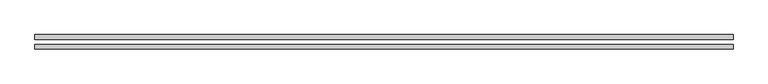
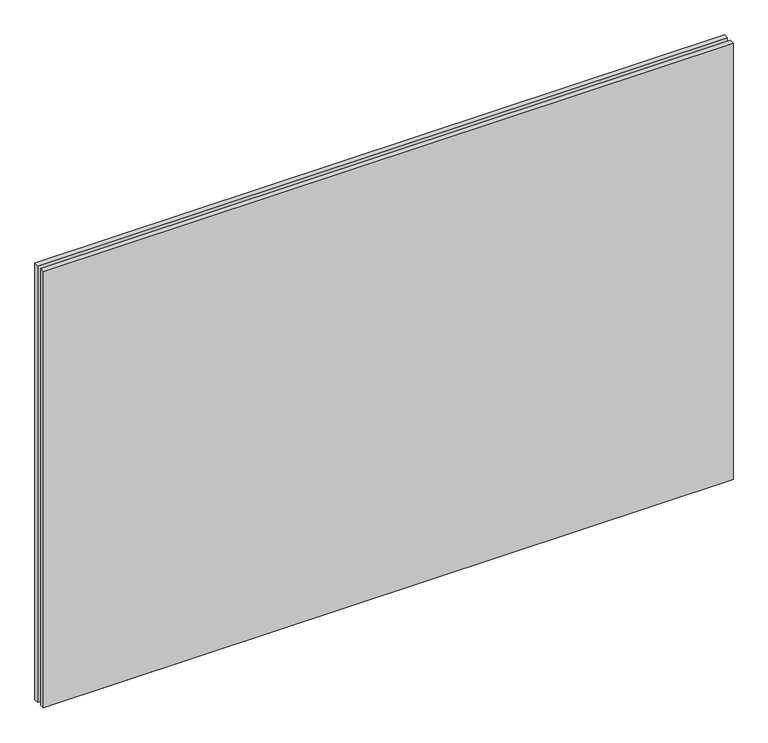
"""IFC4 building model written with IfcOpenShell, lengths in millimetres: plate geometry."""

from ifc_helpers import new_model, si_unit, origin, origin_with_axes, place, context, project, spatial, polyline, outline, extrude, source, transform, mapped, element, save


def plate_ad375e37(model_context):
    return source(origin(), model_context, "Body", "SweptSolid", [
        extrude(outline(polyline([(605.0, -34.8), (-605.0, -34.8), (-605.0, -26.8), (605.0, -26.8), (605.0, -34.8)])), origin_with_axes(), (0.0, 0.0, 1.0), 810.0),
        extrude(outline(polyline([(605.0, -17.8), (-605.0, -17.8), (-605.0, -9.8), (605.0, -9.8), (605.0, -17.8)])), origin_with_axes(), (0.0, 0.0, 1.0), 810.0),
    ])


if __name__ == "__main__":
    model = new_model("IFC4")
    model_context = context("Model", 3, world=origin())
    ifc_project = project(units=[si_unit("LENGTHUNIT", "METRE", prefix="MILLI")], contexts=[model_context])
    site = spatial("IfcSite", under=ifc_project)
    building = spatial("IfcBuilding", under=site)
    placement = place(None, origin())
    plate_shape = plate_ad375e37(model_context)
    element("IfcPlate", 1, at=placement, inside=building, context=model_context, shape_type="MappedRepresentation", body=[
        mapped(plate_shape, transform((0.0, 0.0, 0.0), x_axis=(1.0, 0.0, 0.0), y_axis=(0.0, 1.0, 0.0), z_axis=(0.0, 0.0, 1.0))),
    ])
    save(model, "model.ifc")
